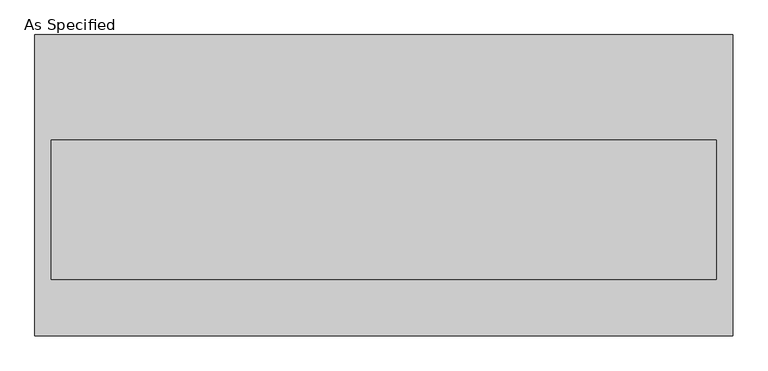
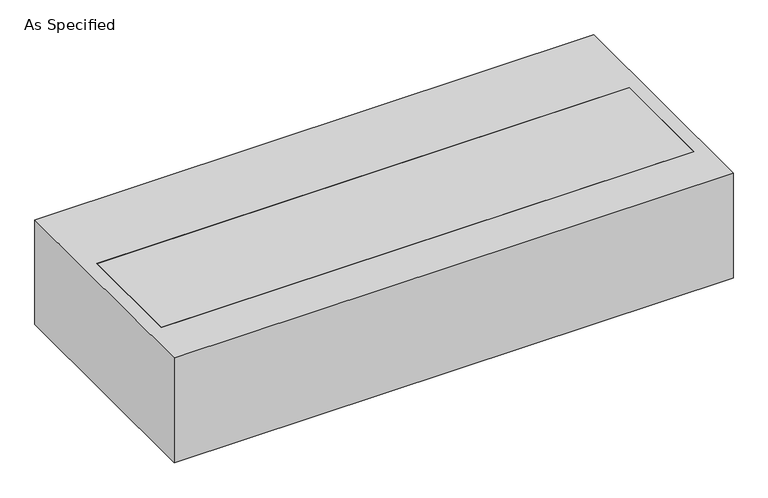
"""IFC4 building model written with IfcOpenShell, lengths in millimetres: proxy geometry, As Specified."""

from ifc_helpers import new_model, si_unit, frame, origin, place, context, project, spatial, polyline, outline, extrude, faceted_brep, source, transform, mapped, element, save


def as_specified_662ab1d4(model_context):
    return source(origin(), model_context, "Body", "SolidModel", [
        faceted_brep([(-1273.175, 549.275, -25.4), (-1273.175, 549.275, -530.225), (-1273.175, -549.275, -530.225), (-1273.175, -549.275, -25.4), (-1212.85, 165.1, -25.4), (-1212.85, -342.9, -25.4), (-1212.85, -342.9, -373.0625), (-1212.85, 165.1, -373.0625), (1273.175, 549.275, -25.4), (1273.175, -549.275, -25.4), (1212.85, 165.1, -25.4), (1212.85, -342.9, -25.4), (1273.175, -549.275, -530.225), (1273.175, 549.275, -530.225), (1212.85, 165.1, -373.0625), (1212.85, -342.9, -373.0625)], [[[0, 1, 2, 3]], [[4, 5, 6, 7]], [[8, 0, 3, 9], [5, 4, 10, 11]], [[8, 9, 12, 13]], [[12, 9, 3, 2]], [[13, 12, 2, 1]], [[8, 13, 1, 0]], [[4, 7, 14, 10]], [[7, 6, 15, 14]], [[6, 5, 11, 15]], [[11, 10, 14, 15]]]),
        extrude(outline(polyline([(1212.85, 165.1), (1212.85, -342.9), (-1212.85, -342.9), (-1212.85, 165.1), (1212.85, 165.1)])), frame((0.0, 0.0, -373.0625), z_axis=(0.0, 0.0, 1.0), x_axis=(1.0, 0.0, 0.0)), (0.0, 0.0, 1.0), 347.6625),
    ])


if __name__ == "__main__":
    model = new_model("IFC4")
    model_context = context("Model", 3, world=origin())
    ifc_project = project(units=[si_unit("LENGTHUNIT", "METRE", prefix="MILLI")], contexts=[model_context])
    site = spatial("IfcSite", under=ifc_project)
    building = spatial("IfcBuilding", under=site)
    placement = place(None, origin())
    as_specified_shape = as_specified_662ab1d4(model_context)
    element("IfcBuildingElementProxy", 1, Name="As Specified", ObjectType="As Specified", at=placement, inside=building, context=model_context, shape_type="MappedRepresentation", body=[
        mapped(as_specified_shape, transform((0.0, 0.0, 0.0), x_axis=(1.0, 0.0, 0.0), y_axis=(0.0, 1.0, 0.0), z_axis=(0.0, 0.0, 1.0))),
    ])
    save(model, "model.ifc")
